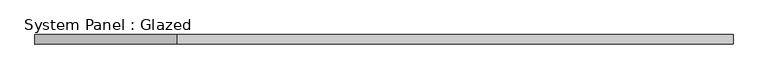
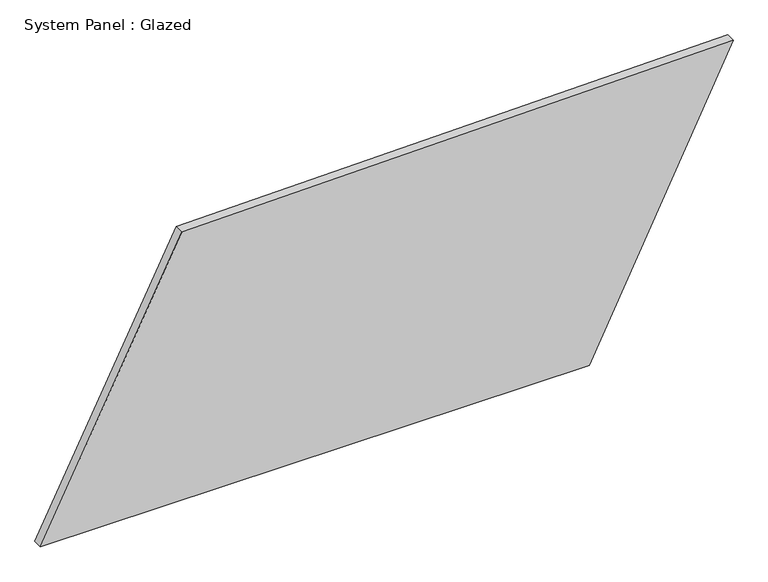
"""IFC4 building model written with IfcOpenShell, lengths in millimetres: plate geometry, System Panel : Glazed."""

from ifc_helpers import new_model, si_unit, frame, origin, place, context, project, spatial, polyline, outline, extrude, source, transform, mapped, element, save


def system_panel_glazed_02329513(model_context):
    return source(origin(), model_context, "Body", "SweptSolid", [
        extrude(outline(polyline([(0.0, -913.0655214), (0.0, 533.8268968), (773.8906431, 913.0655214), (747.6139607, -540.8017479), (0.0, -913.0655214)])), frame((0.0, -49.5, 0.0), z_axis=(0.0, 1.0, 0.0), x_axis=(0.0, 0.0, 1.0)), (0.0, 0.0, 1.0), 25.0),
    ])


if __name__ == "__main__":
    model = new_model("IFC4")
    model_context = context("Model", 3, world=origin())
    ifc_project = project(units=[si_unit("LENGTHUNIT", "METRE", prefix="MILLI")], contexts=[model_context])
    site = spatial("IfcSite", under=ifc_project)
    building = spatial("IfcBuilding", under=site)
    placement = place(None, origin())
    system_panel_glazed_shape = system_panel_glazed_02329513(model_context)
    element("IfcPlate", 1, ObjectType="System Panel : Glazed", at=placement, inside=building, context=model_context, shape_type="MappedRepresentation", body=[
        mapped(system_panel_glazed_shape, transform((0.0, 0.0, 0.0), x_axis=(1.0, 0.0, 0.0), y_axis=(0.0, 1.0, 0.0), z_axis=(0.0, 0.0, 1.0))),
    ])
    save(model, "model.ifc")
